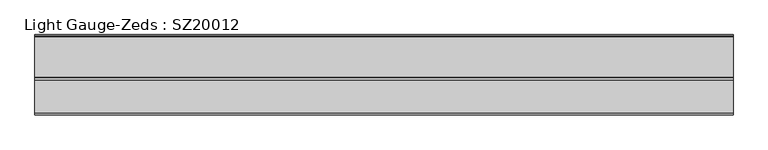
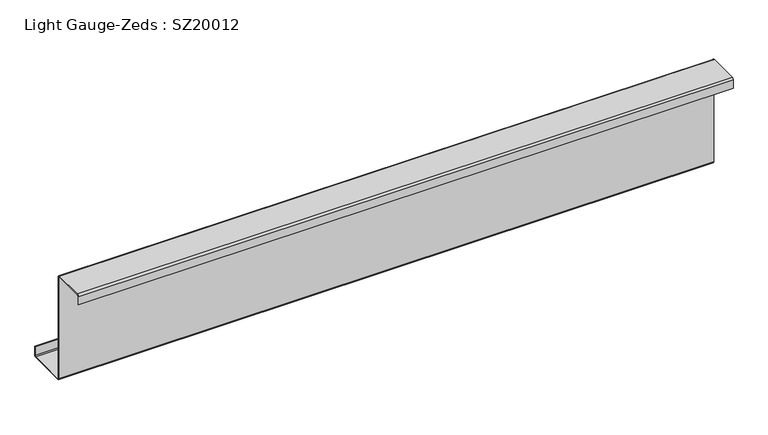
"""IFC4 building model written with IfcOpenShell, lengths in millimetres: beam geometry, Light Gauge-Zeds : SZ20012."""

from ifc_helpers import new_model, si_unit, point, frame, frame_2d, origin, place, context, project, spatial, polyline, circle_curve, trimmed, segment, composite_curve, outline, extrude, source, transform, mapped, element, save


def light_gauge_zeds_sz20012_cdfbe38e(model_context):
    return source(origin(), model_context, "Body", "SweptSolid", [
        extrude(outline(composite_curve([segment(polyline([(0.0, -98.3), (0.0, 98.3)]), True, "CONTINUOUS"), segment(trimmed(circle_curve(frame_2d((-2.0, 98.3)), 2.0), [point((0.0, 98.3))], [point((-2.0, 100.3))], True, "CARTESIAN"), True, "CONTINUOUS"), segment(polyline([(-2.0, 100.3), (-58.8, 100.3)]), True, "CONTINUOUS"), segment(trimmed(circle_curve(frame_2d((-58.8, 98.3)), 2.0), [point((-58.8, 100.3))], [point((-60.8, 98.3))], True, "CARTESIAN"), True, "CONTINUOUS"), segment(polyline([(-60.8, 98.3), (-60.8, 82.0), (-62.0, 82.0), (-62.0, 98.3)]), True, "CONTINUOUS"), segment(trimmed(circle_curve(frame_2d((-58.8, 98.3)), 3.2), [point((-62.0, 98.3))], [point((-58.8, 101.5))], False, "CARTESIAN"), True, "CONTINUOUS"), segment(polyline([(-58.8, 101.5), (-2.0, 101.5)]), True, "CONTINUOUS"), segment(trimmed(circle_curve(frame_2d((-2.0, 98.3)), 3.2), [point((-2.0, 101.5))], [point((1.2, 98.3))], False, "CARTESIAN"), True, "CONTINUOUS"), segment(polyline([(1.2, 98.3), (1.2, -98.3)]), True, "CONTINUOUS"), segment(trimmed(circle_curve(frame_2d((3.2, -98.3)), 2.0), [point((1.2, -98.3))], [point((3.2, -100.3))], True, "CARTESIAN"), True, "CONTINUOUS"), segment(polyline([(3.2, -100.3), (72.8, -100.3)]), True, "CONTINUOUS"), segment(trimmed(circle_curve(frame_2d((72.8, -98.3)), 2.0), [point((72.8, -100.3))], [point((74.8, -98.3))], True, "CARTESIAN"), True, "CONTINUOUS"), segment(polyline([(74.8, -98.3), (74.8, -82.0), (76.0, -82.0), (76.0, -98.3)]), True, "CONTINUOUS"), segment(trimmed(circle_curve(frame_2d((72.8, -98.3)), 3.2), [point((76.0, -98.3))], [point((72.8, -101.5))], False, "CARTESIAN"), True, "CONTINUOUS"), segment(polyline([(72.8, -101.5), (3.2, -101.5)]), True, "CONTINUOUS"), segment(trimmed(circle_curve(frame_2d((3.2, -98.3)), 3.2), [point((3.2, -101.5))], [point((0.0, -98.3))], False, "CARTESIAN"), True, "CONTINUOUS")], self_intersect=False)), frame((-600.0, 0.0, 0.0), z_axis=(1.0, 0.0, 0.0), x_axis=(0.0, 1.0, 0.0)), (0.0, 0.0, 1.0), 1200.0),
    ])


if __name__ == "__main__":
    model = new_model("IFC4")
    model_context = context("Model", 3, world=origin())
    ifc_project = project(units=[si_unit("LENGTHUNIT", "METRE", prefix="MILLI")], contexts=[model_context])
    site = spatial("IfcSite", under=ifc_project)
    building = spatial("IfcBuilding", under=site)
    placement = place(None, origin())
    light_gauge_zeds_sz20012_shape = light_gauge_zeds_sz20012_cdfbe38e(model_context)
    element("IfcBeam", 1, ObjectType="Light Gauge-Zeds : SZ20012", at=placement, inside=building, context=model_context, shape_type="MappedRepresentation", body=[
        mapped(light_gauge_zeds_sz20012_shape, transform((0.0, 0.0, 0.0), x_axis=(1.0, 0.0, 0.0), y_axis=(0.0, 1.0, 0.0), z_axis=(0.0, 0.0, 1.0))),
    ])
    save(model, "model.ifc")
